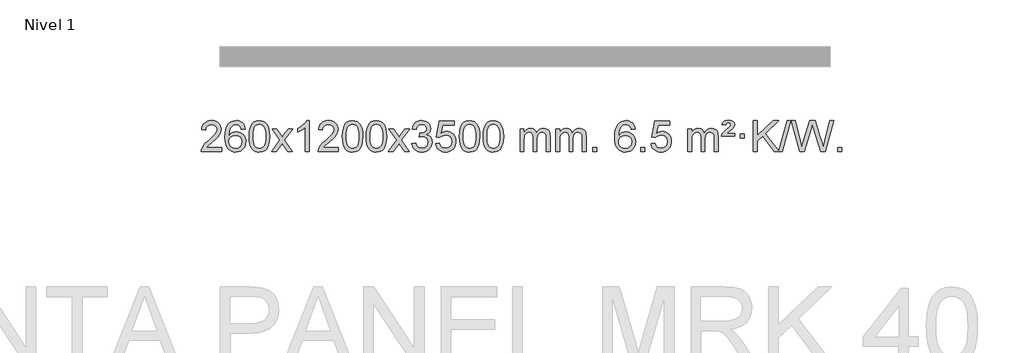
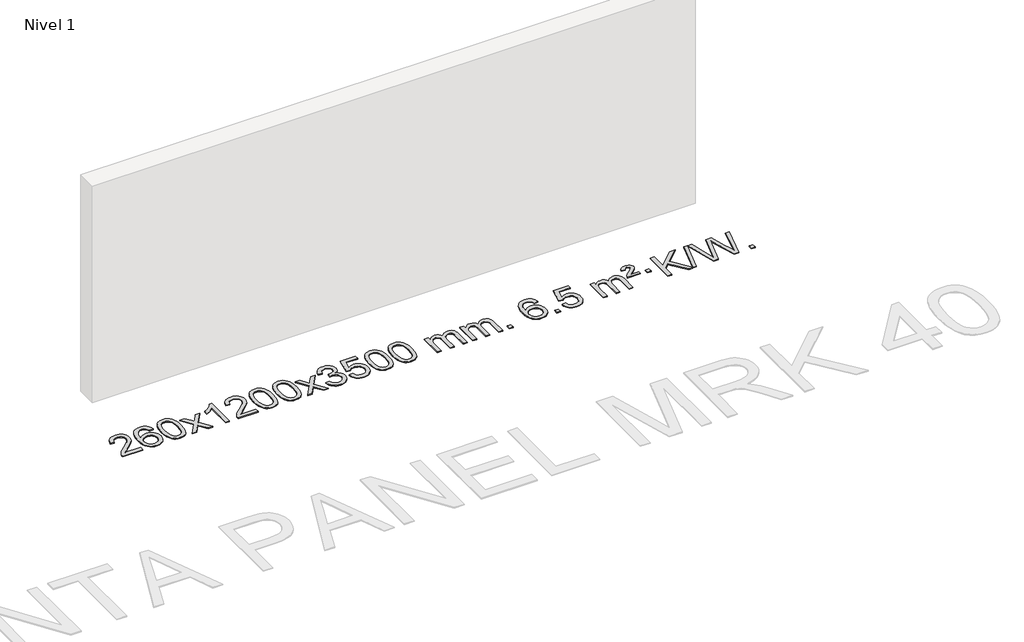
# One storey, part 4 of 14: 1 proxy.
"""IFC4 building model written with IfcOpenShell, lengths in millimetres."""

from ifc_helpers import new_model, si_unit, origin, origin_with_axes, place, context, project, spatial, polyline, outline, extrude, element, save

model = new_model("IFC4")

# Units and contexts
model_context = context("Model", 3, world=origin())
ifc_project = project(units=[si_unit("LENGTHUNIT", "METRE", prefix="MILLI")], contexts=[model_context])

# Site, building, storey
site = spatial("IfcSite", under=ifc_project)
building = spatial("IfcBuilding", under=site)
storey = spatial("IfcBuildingStorey", under=building, Name="Nivel 1", Elevation=0.0)

# Proxy
placement = place(None, origin())
element("IfcBuildingElementProxy", 1, Name="Texto de modelo 1", ObjectType="Texto de modelo 1", at=placement, inside=storey, context=model_context, shape_type="SweptSolid", body=[
    extrude(outline(polyline([(-206.3978655, -27515.3512979), (-206.3978655, -27565.579453), (-470.0956797, -27565.579453), (-468.9920337, -27547.8965918), (-464.7000771, -27530.9494945), (-452.3147166, -27503.8856424), (-434.190397, -27477.6311307), (-407.9726734, -27450.1503456), (-371.3071012, -27419.4076736), (-317.1058206, -27371.2641831), (-284.5850522, -27335.7267824), (-268.3246681, -27306.884834), (-262.90454, -27278.8277005), (-268.0180997, -27253.6768347), (-283.3587789, -27232.7688747), (-306.9400148, -27218.6789943), (-336.7752446, -27213.9823675), (-368.1065279, -27218.5686297), (-392.4480532, -27232.3274163), (-408.1566144, -27254.1796068), (-413.5890052, -27283.0460807), (-463.8171603, -27276.7675613), (-459.4976125, -27250.838012), (-451.6402663, -27228.1826125), (-440.2451215, -27208.8013627), (-425.3121781, -27192.6942627), (-407.1847928, -27180.0329907), (-386.206322, -27170.989225), (-362.3767658, -27165.5629655), (-335.6961241, -27163.7542124), (-308.7763591, -27165.7653006), (-284.8180442, -27171.7985654), (-263.8211793, -27181.8540066), (-245.7857645, -27195.9316242), (-231.3004109, -27212.9890861), (-220.9537298, -27231.9840598), (-214.7457211, -27252.9165453), (-212.6763849, -27275.7865427), (-214.9082024, -27299.8092369), (-221.6036547, -27323.4149983), (-233.4862431, -27347.4254299), (-251.2794689, -27372.6621347), (-279.6431708, -27402.7916701), (-323.2371872, -27441.4805933), (-381.0191859, -27489.795762), (-403.6807168, -27515.3512979), (-206.3978655, -27515.3512979)])), origin_with_axes(), (0.0, 0.0, 1.0), 10.0),
    extrude(outline(polyline([(101.2495843, -27270.4890419), (51.0214292, -27276.7675613), (42.9280253, -27251.874213), (31.9896673, -27234.8780648), (9.2055091, -27219.2062918), (-18.3365896, -27213.9823675), (-41.6848336, -27217.0235253), (-63.6596514, -27226.1469988), (-82.5319978, -27245.3627017), (-97.9462534, -27271.8134171), (-108.3573138, -27309.227016), (-112.2200748, -27361.3313693), (-92.0724042, -27337.8237098), (-67.9270826, -27321.2567573), (-41.1330106, -27311.434308), (-13.0390889, -27308.1601582), (11.09397, -27310.398107), (33.3630935, -27317.1119534), (53.7682815, -27328.3016975), (72.309534, -27343.9673391), (87.7176582, -27363.1769106), (98.7234613, -27384.9984443), (105.3269431, -27409.4319401), (107.5281037, -27436.4773982), (103.3832999, -27472.4439945), (90.9488884, -27505.786366), (71.254939, -27534.0642287), (45.331521, -27554.8372987), (14.355857, -27567.602804), (-20.4948306, -27571.8579724), (-50.4373594, -27569.0375437), (-77.4797517, -27560.5762579), (-101.6220076, -27546.4741147), (-122.8641272, -27526.7311143), (-140.1821721, -27500.5133908), (-152.5522042, -27466.9870783), (-159.9742234, -27426.1521768), (-162.4482298, -27378.0086864), (-159.7013776, -27324.0342663), (-151.4608209, -27277.9693092), (-137.7265598, -27239.8138149), (-118.4985942, -27209.5677835), (-97.6580791, -27189.5243462), (-73.4943634, -27175.2076052), (-46.007447, -27166.6175606), (-15.1973299, -27163.7542124), (7.9363162, -27165.5261773), (28.8749331, -27170.8420722), (47.6185208, -27179.7018969), (64.1670792, -27192.1056515), (78.0730186, -27207.6364031), (88.8887493, -27225.8772186), (96.6142712, -27246.8280983), (101.2495843, -27270.4890419)]), holes=[polyline([(-112.2200748, -27435.6925832), (-109.313807, -27457.9494439), (-100.5950037, -27479.2007605), (-87.0569463, -27497.472233), (-69.6929161, -27510.7895612), (-48.7359051, -27518.9197533), (-24.4189053, -27521.6298173), (8.7272625, -27516.0134855), (22.642399, -27508.9930708), (34.7855705, -27499.1644901), (44.6356109, -27486.9262824), (51.6713541, -27472.6769865), (57.2999486, -27438.1451299), (51.7449305, -27404.9989621), (44.8011578, -27391.3781312), (35.0798761, -27379.725469), (22.8999164, -27370.3904634), (8.5801097, -27363.7226022), (-26.4790444, -27358.3883133), (-59.5761613, -27363.7226022), (-87.25315, -27379.725469), (-98.1761796, -27391.2248471), (-105.9783436, -27404.3858254), (-110.659642, -27419.2084042), (-112.2200748, -27435.6925832)])]), origin_with_axes(), (0.0, 0.0, 1.0), 10.0),
    extrude(outline(polyline([(151.4777394, -27367.9041943), (155.1688221, -27303.5861588), (166.2420701, -27252.2911459), (184.5871189, -27213.2343407), (196.4451819, -27198.0009605), (210.0936039, -27185.6309284), (225.5783702, -27176.0598651), (242.9454661, -27169.2233914), (283.3266464, -27163.7542124), (314.277785, -27166.991574), (341.9915619, -27176.7036586), (365.1681276, -27192.5103217), (382.5076323, -27214.0314184), (395.6042314, -27241.0830078), (406.05208, -27273.4811488), (412.8946851, -27314.6226186), (415.1755535, -27367.9041943), (411.521259, -27431.8543477), (400.5583756, -27483.0267333), (382.3236913, -27522.1203266), (370.4932195, -27537.3996922), (356.8539945, -27549.8341036), (341.3508341, -27559.4695462), (323.928556, -27566.3520052), (283.3266464, -27571.8579724), (255.6619204, -27569.4667394), (231.1364541, -27562.2930405), (209.7502474, -27550.3368757), (191.5033004, -27533.5982449), (173.9921175, -27503.3399508), (161.4841296, -27465.6381776), (153.9793369, -27420.4929255), (151.4777394, -27367.9041943)]), holes=[polyline([(201.7058944, -27367.8060924), (203.1774224, -27411.4706195), (207.5920064, -27446.8148822), (214.9496463, -27473.8388804), (225.2503421, -27492.5426142), (237.709279, -27505.2682656), (251.5416421, -27514.3580165), (266.7474312, -27519.8118671), (283.3266464, -27521.6298173), (299.9058617, -27519.8057357), (315.1116508, -27514.3334911), (328.9440138, -27505.2130833), (341.4029507, -27492.4445124), (351.7036466, -27473.7101217), (359.0612865, -27446.6922549), (363.4758705, -27411.3909118), (364.9473984, -27367.8060924), (363.5249214, -27325.2973278), (359.2574902, -27290.5753989), (352.145105, -27263.6403055), (342.1877657, -27244.4920476), (329.9372952, -27231.1440625), (315.9455167, -27221.6097875), (300.21243, -27215.8892225), (282.7380352, -27213.9823675), (266.2446591, -27215.6623619), (251.2963874, -27220.7023452), (237.89322, -27229.1023175), (226.0351571, -27240.8622786), (215.3911047, -27261.708925), (207.7882101, -27289.8151094), (203.2264734, -27325.1808319), (201.7058944, -27367.8060924)])]), origin_with_axes(), (0.0, 0.0, 1.0), 10.0),
    extrude(outline(polyline([(440.2896311, -27565.579453), (547.6130718, -27417.2494325), (446.5681504, -27270.4890419), (506.9988995, -27270.4890419), (555.7555266, -27341.122385), (578.5151594, -27374.4770192), (598.2336343, -27347.2047007), (653.7592901, -27270.4890419), (714.1900392, -27270.4890419), (608.0438209, -27417.2494325), (710.2659646, -27565.579453), (649.8352155, -27565.579453), (588.3253459, -27476.4048574), (577.0436314, -27460.1199477), (500.7203801, -27565.579453), (440.2896311, -27565.579453)])), origin_with_axes(), (0.0, 0.0, 1.0), 10.0),
    extrude(outline(polyline([(930.014143, -27565.579453), (879.785988, -27565.579453), (879.785988, -27252.4382987), (858.8167142, -27269.3976587), (832.2065832, -27286.3324932), (779.3296778, -27311.6918254), (779.3296778, -27264.2105225), (818.7788904, -27242.7507395), (852.9551278, -27217.219729), (879.8963526, -27190.0700378), (897.6405275, -27163.7542124), (930.014143, -27163.7542124), (930.014143, -27565.579453)])), origin_with_axes(), (0.0, 0.0, 1.0), 10.0),
    extrude(outline(polyline([(1306.7253061, -27515.3512979), (1306.7253061, -27565.579453), (1043.0274919, -27565.579453), (1044.1311379, -27547.8965918), (1048.4230945, -27530.9494945), (1060.808455, -27503.8856424), (1078.9327747, -27477.6311307), (1105.1504982, -27450.1503456), (1141.8160704, -27419.4076736), (1196.017351, -27371.2641831), (1228.5381194, -27335.7267824), (1244.7985036, -27306.884834), (1250.2186316, -27278.8277005), (1245.1050719, -27253.6768347), (1229.7643927, -27232.7688747), (1206.1831568, -27218.6789943), (1176.347927, -27213.9823675), (1145.0166437, -27218.5686297), (1120.6751184, -27232.3274163), (1104.9665572, -27254.1796068), (1099.5341664, -27283.0460807), (1049.3060113, -27276.7675613), (1053.6255591, -27250.838012), (1061.4829054, -27228.1826125), (1072.8780502, -27208.8013627), (1087.8109935, -27192.6942627), (1105.9383788, -27180.0329907), (1126.9168496, -27170.989225), (1150.7464058, -27165.5629655), (1177.4270475, -27163.7542124), (1204.3468125, -27165.7653006), (1228.3051275, -27171.7985654), (1249.3019923, -27181.8540066), (1267.3374071, -27195.9316242), (1281.8227607, -27212.9890861), (1292.1694418, -27231.9840598), (1298.3774505, -27252.9165453), (1300.4467867, -27275.7865427), (1298.2149693, -27299.8092369), (1291.519517, -27323.4149983), (1279.6369285, -27347.4254299), (1261.8437027, -27372.6621347), (1233.4800009, -27402.7916701), (1189.8859844, -27441.4805933), (1132.1039857, -27489.795762), (1109.4424548, -27515.3512979), (1306.7253061, -27515.3512979)])), origin_with_axes(), (0.0, 0.0, 1.0), 10.0),
    extrude(outline(polyline([(1356.9534612, -27367.9041943), (1360.6445439, -27303.5861588), (1371.7177919, -27252.2911459), (1390.0628407, -27213.2343407), (1401.9209037, -27198.0009605), (1415.5693257, -27185.6309284), (1431.054092, -27176.0598651), (1448.4211879, -27169.2233914), (1488.8023682, -27163.7542124), (1519.7535068, -27166.991574), (1547.4672837, -27176.7036586), (1570.6438494, -27192.5103217), (1587.9833541, -27214.0314184), (1601.0799532, -27241.0830078), (1611.5278018, -27273.4811488), (1618.3704069, -27314.6226186), (1620.6512753, -27367.9041943), (1616.9969808, -27431.8543477), (1606.0340974, -27483.0267333), (1587.7994131, -27522.1203266), (1575.9689413, -27537.3996922), (1562.3297163, -27549.8341036), (1546.8265559, -27559.4695462), (1529.4042778, -27566.3520052), (1488.8023682, -27571.8579724), (1461.1376422, -27569.4667394), (1436.6121759, -27562.2930405), (1415.2259692, -27550.3368757), (1396.9790222, -27533.5982449), (1379.4678393, -27503.3399508), (1366.9598514, -27465.6381776), (1359.4550587, -27420.4929255), (1356.9534612, -27367.9041943)]), holes=[polyline([(1407.1816162, -27367.8060924), (1408.6531442, -27411.4706195), (1413.0677282, -27446.8148822), (1420.4253681, -27473.8388804), (1430.7260639, -27492.5426142), (1443.1850008, -27505.2682656), (1457.0173639, -27514.3580165), (1472.223153, -27519.8118671), (1488.8023682, -27521.6298173), (1505.3815835, -27519.8057357), (1520.5873726, -27514.3334911), (1534.4197356, -27505.2130833), (1546.8786725, -27492.4445124), (1557.1793684, -27473.7101217), (1564.5370083, -27446.6922549), (1568.9515923, -27411.3909118), (1570.4231202, -27367.8060924), (1569.0006432, -27325.2973278), (1564.733212, -27290.5753989), (1557.6208268, -27263.6403055), (1547.6634875, -27244.4920476), (1535.413017, -27231.1440625), (1521.4212385, -27221.6097875), (1505.6881518, -27215.8892225), (1488.213757, -27213.9823675), (1471.7203809, -27215.6623619), (1456.7721092, -27220.7023452), (1443.3689418, -27229.1023175), (1431.5108789, -27240.8622786), (1420.8668265, -27261.708925), (1413.2639319, -27289.8151094), (1408.7021952, -27325.1808319), (1407.1816162, -27367.8060924)])]), origin_with_axes(), (0.0, 0.0, 1.0), 10.0),
    extrude(outline(polyline([(1664.600911, -27367.9041943), (1668.2919937, -27303.5861588), (1679.3652417, -27252.2911459), (1697.7102906, -27213.2343407), (1709.5683535, -27198.0009605), (1723.2167756, -27185.6309284), (1738.7015419, -27176.0598651), (1756.0686377, -27169.2233914), (1796.4498181, -27163.7542124), (1827.4009566, -27166.991574), (1855.1147336, -27176.7036586), (1878.2912993, -27192.5103217), (1895.630804, -27214.0314184), (1908.727403, -27241.0830078), (1919.1752517, -27273.4811488), (1926.0178568, -27314.6226186), (1928.2987251, -27367.9041943), (1924.6444307, -27431.8543477), (1913.6815472, -27483.0267333), (1895.446863, -27522.1203266), (1883.6163911, -27537.3996922), (1869.9771662, -27549.8341036), (1854.4740058, -27559.4695462), (1837.0517276, -27566.3520052), (1796.4498181, -27571.8579724), (1768.785092, -27569.4667394), (1744.2596257, -27562.2930405), (1722.873419, -27550.3368757), (1704.6264721, -27533.5982449), (1687.1152891, -27503.3399508), (1674.6073013, -27465.6381776), (1667.1025086, -27420.4929255), (1664.600911, -27367.9041943)]), holes=[polyline([(1714.8290661, -27367.8060924), (1716.3005941, -27411.4706195), (1720.715178, -27446.8148822), (1728.0728179, -27473.8388804), (1738.3735138, -27492.5426142), (1750.8324507, -27505.2682656), (1764.6648137, -27514.3580165), (1779.8706028, -27519.8118671), (1796.4498181, -27521.6298173), (1813.0290333, -27519.8057357), (1828.2348225, -27514.3334911), (1842.0671855, -27505.2130833), (1854.5261224, -27492.4445124), (1864.8268182, -27473.7101217), (1872.1844581, -27446.6922549), (1876.5990421, -27411.3909118), (1878.0705701, -27367.8060924), (1876.648093, -27325.2973278), (1872.3806619, -27290.5753989), (1865.2682766, -27263.6403055), (1855.3109373, -27244.4920476), (1843.0604669, -27231.1440625), (1829.0686883, -27221.6097875), (1813.3356016, -27215.8892225), (1795.8612069, -27213.9823675), (1779.3678308, -27215.6623619), (1764.419559, -27220.7023452), (1751.0163917, -27229.1023175), (1739.1583287, -27240.8622786), (1728.5142763, -27261.708925), (1720.9113817, -27289.8151094), (1716.349645, -27325.1808319), (1714.8290661, -27367.8060924)])]), origin_with_axes(), (0.0, 0.0, 1.0), 10.0),
    extrude(outline(polyline([(1953.4128027, -27565.579453), (2060.7362434, -27417.2494325), (1959.6913221, -27270.4890419), (2020.1220711, -27270.4890419), (2068.8786982, -27341.122385), (2091.638331, -27374.4770192), (2111.3568059, -27347.2047007), (2166.8824617, -27270.4890419), (2227.3132108, -27270.4890419), (2121.1669925, -27417.2494325), (2223.3891362, -27565.579453), (2162.9583871, -27565.579453), (2101.4485175, -27476.4048574), (2090.166803, -27460.1199477), (2013.8435518, -27565.579453), (1953.4128027, -27565.579453)])), origin_with_axes(), (0.0, 0.0, 1.0), 10.0),
    extrude(outline(polyline([(2254.7817331, -27458.8446235), (2305.0098882, -27452.5661041), (2316.2548145, -27484.1303793), (2332.7236652, -27505.4430095), (2355.2257805, -27517.5831154), (2384.570501, -27521.6298173), (2419.0042558, -27516.0625364), (2433.2780772, -27509.1034354), (2445.5898613, -27499.3606939), (2462.5860095, -27474.4428201), (2468.2513922, -27444.2274455), (2462.6350604, -27415.5449126), (2445.786065, -27392.2825078), (2420.27958, -27376.8682522), (2388.6907794, -27371.730167), (2353.4722097, -27377.2238715), (2359.064016, -27326.9957164), (2367.108369, -27327.5843276), (2397.2011162, -27323.979084), (2424.1055528, -27313.1633534), (2435.1788008, -27304.9841103), (2443.0882637, -27294.8673555), (2447.8339415, -27282.8130888), (2449.415834, -27268.8213102), (2444.8295718, -27247.1285352), (2431.0707852, -27229.5315131), (2410.076986, -27217.8696539), (2383.7856861, -27213.9823675), (2357.4453352, -27217.9064421), (2335.9119758, -27229.6786659), (2320.1911519, -27249.299039), (2311.2884076, -27276.7675613), (2261.0602525, -27270.4890419), (2267.0138095, -27246.5092672), (2275.8491087, -27225.3867093), (2287.5661503, -27207.1213683), (2302.1649341, -27191.713244), (2319.1856077, -27179.4811677), (2338.1683187, -27170.7439703), (2359.113067, -27165.5016519), (2382.0198525, -27163.7542124), (2413.5963904, -27167.2000404), (2442.5977544, -27177.5375245), (2467.0496443, -27193.8469596), (2484.9777602, -27215.2086408), (2495.9774319, -27239.8199463), (2499.6439891, -27265.8782543), (2496.1613729, -27290.1584659), (2485.7135242, -27312.1823347), (2468.4475959, -27330.9443165), (2444.5107408, -27345.4388671), (2475.9523886, -27358.1430586), (2499.2515817, -27379.77452), (2513.6725559, -27409.1560286), (2518.4795473, -27445.1103623), (2516.0760516, -27470.5923218), (2508.8655645, -27494.0631931), (2496.848086, -27515.5229762), (2480.023616, -27534.971671), (2459.5264575, -27551.1094278), (2436.4909133, -27562.636397), (2410.9169832, -27569.5525785), (2382.8046674, -27571.8579724), (2357.3962843, -27569.8898037), (2334.2442441, -27563.9852977), (2313.3485468, -27554.1444543), (2294.7091923, -27540.3672736), (2279.0803389, -27523.4630959), (2267.2161446, -27504.2412617), (2259.1166093, -27482.7017708), (2254.7817331, -27458.8446235)])), origin_with_axes(), (0.0, 0.0, 1.0), 10.0),
    extrude(outline(polyline([(2562.429183, -27458.8446235), (2612.657338, -27452.5661041), (2621.8789134, -27482.7201649), (2637.9676193, -27504.3148381), (2660.8498794, -27517.3010725), (2690.4521173, -27521.6298173), (2709.581981, -27520.1245668), (2726.4555019, -27515.6088153), (2741.0726798, -27508.0825628), (2753.4335149, -27497.5458094), (2763.2620955, -27484.519721), (2770.2825102, -27469.5254641), (2775.898842, -27433.6324441), (2770.6381295, -27399.8363514), (2764.0622388, -27385.9181493), (2754.8559919, -27373.9865099), (2742.9887319, -27364.4154467), (2728.4298019, -27357.5789729), (2691.2369322, -27352.1097939), (2666.8708814, -27354.2925604), (2647.1401437, -27360.8408599), (2631.3825316, -27370.8717757), (2618.9358574, -27383.5023908), (2568.7077023, -27377.2238715), (2612.657338, -27170.0327318), (2807.291439, -27170.0327318), (2807.291439, -27220.2608869), (2653.2715103, -27220.2608869), (2631.7872018, -27330.919791), (2649.5129826, -27318.2155994), (2667.667959, -27309.1411769), (2686.2521312, -27303.6965234), (2705.265499, -27301.8816388), (2729.726586, -27304.1318504), (2752.1949788, -27310.882485), (2772.6706775, -27322.1335427), (2791.1536821, -27337.8850234), (2806.4545074, -27357.1743027), (2817.3836684, -27379.038756), (2823.9411649, -27403.4783832), (2826.1269971, -27430.4931844), (2824.1588284, -27456.5147042), (2818.2543224, -27480.7213394), (2808.413479, -27503.1130902), (2794.6362983, -27523.6899565), (2773.7651265, -27544.7634634), (2749.4113384, -27559.8159684), (2721.5749341, -27568.8474714), (2690.2559136, -27571.8579724), (2664.3355613, -27569.9235262), (2640.922938, -27564.1201877), (2620.0180436, -27554.447957), (2601.6208782, -27540.9068338), (2586.3139215, -27524.1712688), (2574.6796534, -27504.915712), (2566.7180739, -27483.1401636), (2562.429183, -27458.8446235)])), origin_with_axes(), (0.0, 0.0, 1.0), 10.0),
    extrude(outline(polyline([(2870.0766328, -27367.9041943), (2873.7677155, -27303.5861588), (2884.8409635, -27252.2911459), (2903.1860124, -27213.2343407), (2915.0440753, -27198.0009605), (2928.6924974, -27185.6309284), (2944.1772637, -27176.0598651), (2961.5443595, -27169.2233914), (3001.9255399, -27163.7542124), (3032.8766784, -27166.991574), (3060.5904554, -27176.7036586), (3083.7670211, -27192.5103217), (3101.1065258, -27214.0314184), (3114.2031248, -27241.0830078), (3124.6509735, -27273.4811488), (3131.4935786, -27314.6226186), (3133.7744469, -27367.9041943), (3130.1201525, -27431.8543477), (3119.157269, -27483.0267333), (3100.9225848, -27522.1203266), (3089.0921129, -27537.3996922), (3075.452888, -27549.8341036), (3059.9497276, -27559.4695462), (3042.5274494, -27566.3520052), (3001.9255399, -27571.8579724), (2974.2608138, -27569.4667394), (2949.7353475, -27562.2930405), (2928.3491408, -27550.3368757), (2910.1021939, -27533.5982449), (2892.5910109, -27503.3399508), (2880.0830231, -27465.6381776), (2872.5782304, -27420.4929255), (2870.0766328, -27367.9041943)]), holes=[polyline([(2920.3047879, -27367.8060924), (2921.7763158, -27411.4706195), (2926.1908998, -27446.8148822), (2933.5485397, -27473.8388804), (2943.8492356, -27492.5426142), (2956.3081725, -27505.2682656), (2970.1405355, -27514.3580165), (2985.3463246, -27519.8118671), (3001.9255399, -27521.6298173), (3018.5047551, -27519.8057357), (3033.7105442, -27514.3334911), (3047.5429073, -27505.2130833), (3060.0018442, -27492.4445124), (3070.30254, -27473.7101217), (3077.6601799, -27446.6922549), (3082.0747639, -27411.3909118), (3083.5462919, -27367.8060924), (3082.1238148, -27325.2973278), (3077.8563837, -27290.5753989), (3070.7439984, -27263.6403055), (3060.7866591, -27244.4920476), (3048.5361887, -27231.1440625), (3034.5444101, -27221.6097875), (3018.8113234, -27215.8892225), (3001.3369287, -27213.9823675), (2984.8435526, -27215.6623619), (2969.8952808, -27220.7023452), (2956.4921135, -27229.1023175), (2944.6340505, -27240.8622786), (2933.9899981, -27261.708925), (2926.3871035, -27289.8151094), (2921.8253668, -27325.1808319), (2920.3047879, -27367.8060924)])]), origin_with_axes(), (0.0, 0.0, 1.0), 10.0),
    extrude(outline(polyline([(3177.7240826, -27367.9041943), (3181.4151653, -27303.5861588), (3192.4884134, -27252.2911459), (3210.8334622, -27213.2343407), (3222.6915252, -27198.0009605), (3236.3399472, -27185.6309284), (3251.8247135, -27176.0598651), (3269.1918094, -27169.2233914), (3309.5729897, -27163.7542124), (3340.5241282, -27166.991574), (3368.2379052, -27176.7036586), (3391.4144709, -27192.5103217), (3408.7539756, -27214.0314184), (3421.8505746, -27241.0830078), (3432.2984233, -27273.4811488), (3439.1410284, -27314.6226186), (3441.4218968, -27367.9041943), (3437.7676023, -27431.8543477), (3426.8047188, -27483.0267333), (3408.5700346, -27522.1203266), (3396.7395628, -27537.3996922), (3383.1003378, -27549.8341036), (3367.5971774, -27559.4695462), (3350.1748992, -27566.3520052), (3309.5729897, -27571.8579724), (3281.9082637, -27569.4667394), (3257.3827973, -27562.2930405), (3235.9965907, -27550.3368757), (3217.7496437, -27533.5982449), (3200.2384607, -27503.3399508), (3187.7304729, -27465.6381776), (3180.2256802, -27420.4929255), (3177.7240826, -27367.9041943)]), holes=[polyline([(3227.9522377, -27367.8060924), (3229.4237657, -27411.4706195), (3233.8383496, -27446.8148822), (3241.1959895, -27473.8388804), (3251.4966854, -27492.5426142), (3263.9556223, -27505.2682656), (3277.7879853, -27514.3580165), (3292.9937744, -27519.8118671), (3309.5729897, -27521.6298173), (3326.1522049, -27519.8057357), (3341.3579941, -27514.3334911), (3355.1903571, -27505.2130833), (3367.649294, -27492.4445124), (3377.9499899, -27473.7101217), (3385.3076298, -27446.6922549), (3389.7222137, -27411.3909118), (3391.1937417, -27367.8060924), (3389.7712646, -27325.2973278), (3385.5038335, -27290.5753989), (3378.3914483, -27263.6403055), (3368.4341089, -27244.4920476), (3356.1836385, -27231.1440625), (3342.1918599, -27221.6097875), (3326.4587733, -27215.8892225), (3308.9843785, -27213.9823675), (3292.4910024, -27215.6623619), (3277.5427307, -27220.7023452), (3264.1395633, -27229.1023175), (3252.2815003, -27240.8622786), (3241.6374479, -27261.708925), (3234.0345534, -27289.8151094), (3229.4728166, -27325.1808319), (3227.9522377, -27367.8060924)])]), origin_with_axes(), (0.0, 0.0, 1.0), 10.0),
    extrude(outline(polyline([(3654.8915558, -27565.579453), (3654.8915558, -27270.4890419), (3705.1197109, -27270.4890419), (3705.1197109, -27319.0494653), (3720.2273982, -27296.7435537), (3739.6515675, -27279.2691589), (3762.7300314, -27267.9751816), (3788.8006021, -27264.2105225), (3816.7351082, -27268.048758), (3839.126859, -27279.5634645), (3855.8532271, -27297.9943524), (3866.7915851, -27322.5811324), (3885.0998457, -27297.0439906), (3905.9832803, -27278.803175), (3929.4418888, -27267.8586857), (3955.4756714, -27264.2105225), (3975.5834881, -27265.7280358), (3993.2326268, -27270.2805755), (4008.4230875, -27277.8681416), (4021.1548702, -27288.4907342), (4031.2195085, -27302.2709806), (4038.4085358, -27319.3315082), (4042.7219522, -27339.6723168), (4044.1597577, -27363.2934066), (4044.1597577, -27565.579453), (3993.9316026, -27565.579453), (3993.9316026, -27384.875817), (3992.7666429, -27359.8230531), (3989.271764, -27342.9372695), (3982.7234645, -27331.3735121), (3972.3982431, -27322.2868268), (3959.1177031, -27316.4007149), (3943.7034475, -27314.4386776), (3916.4924426, -27319.4663982), (3894.3091583, -27334.54956), (3885.7037853, -27346.1194488), (3879.5570903, -27360.7182326), (3874.6397343, -27399.0024856), (3874.6397343, -27565.579453), (3824.4115792, -27565.579453), (3824.4115792, -27379.2840106), (3821.5053115, -27350.8835206), (3812.7865082, -27330.6254854), (3797.445829, -27318.4853796), (3774.6739335, -27314.4386776), (3755.3233405, -27317.1364789), (3737.4933265, -27325.2298828), (3722.7780467, -27338.5226856), (3712.7716564, -27356.8186835), (3707.0326973, -27382.2025411), (3705.1197109, -27416.7589232), (3705.1197109, -27565.579453), (3654.8915558, -27565.579453)])), origin_with_axes(), (0.0, 0.0, 1.0), 10.0),
    extrude(outline(polyline([(4119.5019903, -27565.579453), (4119.5019903, -27270.4890419), (4169.7301454, -27270.4890419), (4169.7301454, -27319.0494653), (4184.8378326, -27296.7435537), (4204.262002, -27279.2691589), (4227.3404658, -27267.9751816), (4253.4110365, -27264.2105225), (4281.3455427, -27268.048758), (4303.7372935, -27279.5634645), (4320.4636615, -27297.9943524), (4331.4020195, -27322.5811324), (4349.7102801, -27297.0439906), (4370.5937147, -27278.803175), (4394.0523233, -27267.8586857), (4420.0861058, -27264.2105225), (4440.1939225, -27265.7280358), (4457.8430612, -27270.2805755), (4473.033522, -27277.8681416), (4485.7653047, -27288.4907342), (4495.8299429, -27302.2709806), (4503.0189703, -27319.3315082), (4507.3323866, -27339.6723168), (4508.7701921, -27363.2934066), (4508.7701921, -27565.579453), (4458.542037, -27565.579453), (4458.542037, -27384.875817), (4457.3770774, -27359.8230531), (4453.8821984, -27342.9372695), (4447.3338989, -27331.3735121), (4437.0086776, -27322.2868268), (4423.7281376, -27316.4007149), (4408.313882, -27314.4386776), (4381.1028771, -27319.4663982), (4358.9195927, -27334.54956), (4350.3142197, -27346.1194488), (4344.1675247, -27360.7182326), (4339.2501687, -27399.0024856), (4339.2501687, -27565.579453), (4289.0220137, -27565.579453), (4289.0220137, -27379.2840106), (4286.1157459, -27350.8835206), (4277.3969426, -27330.6254854), (4262.0562634, -27318.4853796), (4239.2843679, -27314.4386776), (4219.933775, -27317.1364789), (4202.1037609, -27325.2298828), (4187.3884811, -27338.5226856), (4177.3820909, -27356.8186835), (4171.6431317, -27382.2025411), (4169.7301454, -27416.7589232), (4169.7301454, -27565.579453), (4119.5019903, -27565.579453)])), origin_with_axes(), (0.0, 0.0, 1.0), 10.0),
    extrude(outline(polyline([(4596.6694635, -27565.579453), (4596.6694635, -27515.3512979), (4646.8976186, -27515.3512979), (4646.8976186, -27565.579453), (4596.6694635, -27565.579453)])), origin_with_axes(), (0.0, 0.0, 1.0), 10.0),
    extrude(outline(polyline([(5142.9006499, -27270.4890419), (5092.6724949, -27276.7675613), (5084.579091, -27251.874213), (5073.640733, -27234.8780648), (5050.8565747, -27219.2062918), (5023.314476, -27213.9823675), (4999.9662321, -27217.0235253), (4977.9914142, -27226.1469988), (4959.1190679, -27245.3627017), (4943.7048123, -27271.8134171), (4933.2937518, -27309.227016), (4929.4309909, -27361.3313693), (4949.5786615, -27337.8237098), (4973.7239831, -27321.2567573), (5000.5180551, -27311.434308), (5028.6119768, -27308.1601582), (5052.7450356, -27310.398107), (5075.0141591, -27317.1119534), (5095.4193471, -27328.3016975), (5113.9605996, -27343.9673391), (5129.3687239, -27363.1769106), (5140.3745269, -27384.9984443), (5146.9780087, -27409.4319401), (5149.1791693, -27436.4773982), (5145.0343655, -27472.4439945), (5132.5999541, -27505.786366), (5112.9060046, -27534.0642287), (5086.9825867, -27554.8372987), (5056.0069227, -27567.602804), (5021.156235, -27571.8579724), (4991.2137063, -27569.0375437), (4964.1713139, -27560.5762579), (4940.029058, -27546.4741147), (4918.7869385, -27526.7311143), (4901.4688935, -27500.5133908), (4889.0988615, -27466.9870783), (4881.6768422, -27426.1521768), (4879.2028358, -27378.0086864), (4881.949688, -27324.0342663), (4890.1902447, -27277.9693092), (4903.9245059, -27239.8138149), (4923.1524715, -27209.5677835), (4943.9929865, -27189.5243462), (4968.1567022, -27175.2076052), (4995.6436186, -27166.6175606), (5026.4537357, -27163.7542124), (5049.5873819, -27165.5261773), (5070.5259987, -27170.8420722), (5089.2695864, -27179.7018969), (5105.8181448, -27192.1056515), (5119.7240842, -27207.6364031), (5130.5398149, -27225.8772186), (5138.2653368, -27246.8280983), (5142.9006499, -27270.4890419)]), holes=[polyline([(4929.4309909, -27435.6925832), (4932.3372586, -27457.9494439), (4941.0560619, -27479.2007605), (4954.5941193, -27497.472233), (4971.9581495, -27510.7895612), (4992.9151605, -27518.9197533), (5017.2321604, -27521.6298173), (5050.3783281, -27516.0134855), (5064.2934646, -27508.9930708), (5076.4366361, -27499.1644901), (5086.2866766, -27486.9262824), (5093.3224197, -27472.6769865), (5098.9510142, -27438.1451299), (5093.3959961, -27404.9989621), (5086.4522235, -27391.3781312), (5076.7309417, -27379.725469), (5064.550982, -27370.3904634), (5050.2311753, -27363.7226022), (5015.1720212, -27358.3883133), (4982.0749044, -27363.7226022), (4954.3979156, -27379.725469), (4943.474886, -27391.2248471), (4935.672722, -27404.3858254), (4930.9914237, -27419.2084042), (4929.4309909, -27435.6925832)])]), origin_with_axes(), (0.0, 0.0, 1.0), 10.0),
    extrude(outline(polyline([(5218.2428825, -27565.579453), (5218.2428825, -27515.3512979), (5268.4710376, -27515.3512979), (5268.4710376, -27565.579453), (5218.2428825, -27565.579453)])), origin_with_axes(), (0.0, 0.0, 1.0), 10.0),
    extrude(outline(polyline([(5350.0917896, -27458.8446235), (5400.3199447, -27452.5661041), (5409.54152, -27482.7201649), (5425.630226, -27504.3148381), (5448.5124861, -27517.3010725), (5478.1147239, -27521.6298173), (5497.2445877, -27520.1245668), (5514.1181085, -27515.6088153), (5528.7352865, -27508.0825628), (5541.0961215, -27497.5458094), (5550.9247021, -27484.519721), (5557.9451169, -27469.5254641), (5563.5614487, -27433.6324441), (5558.3007361, -27399.8363514), (5551.7248455, -27385.9181493), (5542.5185986, -27373.9865099), (5530.6513385, -27364.4154467), (5516.0924086, -27357.5789729), (5478.8995389, -27352.1097939), (5454.533488, -27354.2925604), (5434.8027504, -27360.8408599), (5419.0451382, -27370.8717757), (5406.5984641, -27383.5023908), (5356.370309, -27377.2238715), (5400.3199447, -27170.0327318), (5594.9540456, -27170.0327318), (5594.9540456, -27220.2608869), (5440.934117, -27220.2608869), (5419.4498084, -27330.919791), (5437.1755892, -27318.2155994), (5455.3305657, -27309.1411769), (5473.9147378, -27303.6965234), (5492.9281056, -27301.8816388), (5517.3891926, -27304.1318504), (5539.8575855, -27310.882485), (5560.3332842, -27322.1335427), (5578.8162887, -27337.8850234), (5594.1171141, -27357.1743027), (5605.046275, -27379.038756), (5611.6037716, -27403.4783832), (5613.7896038, -27430.4931844), (5611.8214351, -27456.5147042), (5605.9169291, -27480.7213394), (5596.0760857, -27503.1130902), (5582.298905, -27523.6899565), (5561.4277331, -27544.7634634), (5537.073945, -27559.8159684), (5509.2375407, -27568.8474714), (5477.9185202, -27571.8579724), (5451.998168, -27569.9235262), (5428.5855447, -27564.1201877), (5407.6806503, -27554.447957), (5389.2834848, -27540.9068338), (5373.9765281, -27524.1712688), (5362.3422601, -27504.915712), (5354.3806805, -27483.1401636), (5350.0917896, -27458.8446235)])), origin_with_axes(), (0.0, 0.0, 1.0), 10.0),
    extrude(outline(polyline([(5827.2592628, -27565.579453), (5827.2592628, -27270.4890419), (5877.4874179, -27270.4890419), (5877.4874179, -27319.0494653), (5892.5951052, -27296.7435537), (5912.0192745, -27279.2691589), (5935.0977383, -27267.9751816), (5961.1683091, -27264.2105225), (5989.1028152, -27268.048758), (6011.494566, -27279.5634645), (6028.2209341, -27297.9943524), (6039.159292, -27322.5811324), (6057.4675527, -27297.0439906), (6078.3509873, -27278.803175), (6101.8095958, -27267.8586857), (6127.8433783, -27264.2105225), (6147.9511951, -27265.7280358), (6165.6003338, -27270.2805755), (6180.7907945, -27277.8681416), (6193.5225772, -27288.4907342), (6203.5872155, -27302.2709806), (6210.7762428, -27319.3315082), (6215.0896592, -27339.6723168), (6216.5274647, -27363.2934066), (6216.5274647, -27565.579453), (6166.2993096, -27565.579453), (6166.2993096, -27384.875817), (6165.1343499, -27359.8230531), (6161.639471, -27342.9372695), (6155.0911715, -27331.3735121), (6144.7659501, -27322.2868268), (6131.4854101, -27316.4007149), (6116.0711545, -27314.4386776), (6088.8601496, -27319.4663982), (6066.6768653, -27334.54956), (6058.0714923, -27346.1194488), (6051.9247973, -27360.7182326), (6047.0074413, -27399.0024856), (6047.0074413, -27565.579453), (5996.7792862, -27565.579453), (5996.7792862, -27379.2840106), (5993.8730184, -27350.8835206), (5985.1542152, -27330.6254854), (5969.813536, -27318.4853796), (5947.0416405, -27314.4386776), (5927.6910475, -27317.1364789), (5909.8610335, -27325.2298828), (5895.1457537, -27338.5226856), (5885.1393634, -27356.8186835), (5879.4004043, -27382.2025411), (5877.4874179, -27416.7589232), (5877.4874179, -27565.579453), (5827.2592628, -27565.579453)])), origin_with_axes(), (0.0, 0.0, 1.0), 10.0),
    extrude(outline(polyline([(6260.4771003, -27364.6668327), (6264.3030731, -27348.8479069), (6272.6417317, -27332.9799302), (6294.1505656, -27307.8413272), (6326.1072483, -27280.1030247), (6370.2530877, -27242.726214), (6377.3899984, -27231.1992448), (6379.7689686, -27219.3779701), (6377.8805077, -27207.2869152), (6372.215125, -27197.5012541), (6362.8463969, -27191.026531), (6349.8478997, -27188.8682899), (6337.4134883, -27190.4869707), (6328.5597949, -27195.343013), (6322.1341227, -27204.8098431), (6316.9837748, -27220.2608869), (6266.7556197, -27213.9823675), (6277.5958759, -27188.7701881), (6294.224142, -27171.2099542), (6317.9893189, -27160.9092583), (6350.2403072, -27157.475693), (6386.0229626, -27161.6082341), (6410.7691581, -27174.0058573), (6425.1901323, -27192.3386434), (6429.9971237, -27214.2766731), (6425.9013708, -27237.1834586), (6413.6141122, -27258.8149199), (6393.0862969, -27278.6314968), (6356.6169284, -27306.6886303), (6331.0123416, -27333.2742358), (6429.9971237, -27333.2742358), (6429.9971237, -27364.6668327), (6260.4771003, -27364.6668327)])), origin_with_axes(), (0.0, 0.0, 1.0), 10.0),
    extrude(outline(polyline([(6505.3393563, -27389.7809102), (6505.3393563, -27339.5527552), (6555.5675114, -27339.5527552), (6555.5675114, -27389.7809102), (6505.3393563, -27389.7809102)])), origin_with_axes(), (0.0, 0.0, 1.0), 10.0),
    extrude(outline(polyline([(6946.2091394, -27565.579453), (6792.7778219, -27362.9009991), (6725.0875348, -27427.4520265), (6725.0875348, -27565.579453), (6674.8593797, -27565.579453), (6674.8593797, -27163.7542124), (6725.0875348, -27163.7542124), (6725.0875348, -27360.4484525), (6931.1014521, -27163.7542124), (7001.3423877, -27163.7542124), (6828.388799, -27328.9577537), (7003.0424089, -27559.5349332), (7114.3557366, -27163.7542124), (7159.6787984, -27163.7542124), (7046.6654495, -27565.579453), (7007.6209071, -27565.579453), (7001.3423877, -27565.579453), (6946.2091394, -27565.579453)])), origin_with_axes(), (0.0, 0.0, 1.0), 10.0),
    extrude(outline(polyline([(7274.1636753, -27565.579453), (7164.5838917, -27163.7542124), (7216.3816766, -27163.7542124), (7279.9516854, -27427.844434), (7299.5720585, -27509.3670841), (7320.5658576, -27437.2622131), (7400.2245723, -27163.7542124), (7474.8800919, -27163.7542124), (7532.7601925, -27362.0180823), (7557.5554389, -27435.5944814), (7575.8269114, -27509.3670841), (7594.8586732, -27430.1988788), (7659.0172932, -27163.7542124), (7710.8150781, -27163.7542124), (7601.1371926, -27565.579453), (7547.4754723, -27565.579453), (7451.1394405, -27255.5775584), (7437.6994849, -27212.3146358), (7422.5917976, -27264.4067263), (7334.7906281, -27565.579453), (7274.1636753, -27565.579453)])), origin_with_axes(), (0.0, 0.0, 1.0), 10.0),
    extrude(outline(polyline([(7767.3217526, -27565.579453), (7767.3217526, -27515.3512979), (7817.5499077, -27515.3512979), (7817.5499077, -27565.579453), (7767.3217526, -27565.579453)])), origin_with_axes(), (0.0, 0.0, 1.0), 10.0),
])

save(model, "model.ifc")
